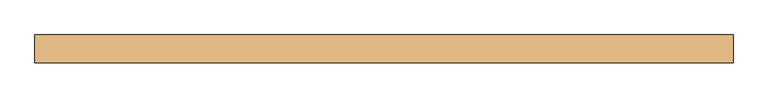
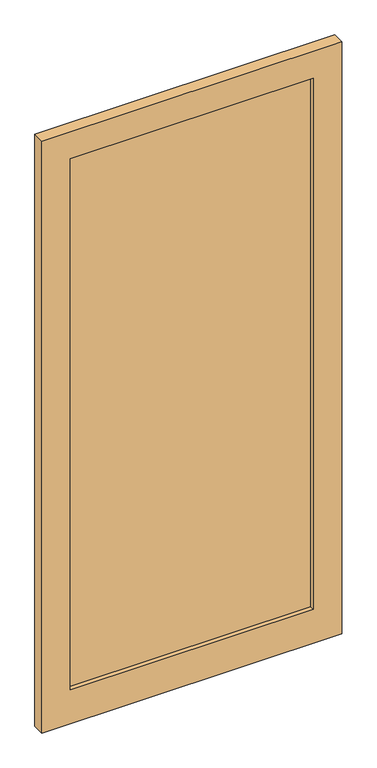
"""IFC4 building model written with IfcOpenShell, lengths in millimetres: door geometry."""

from ifc_helpers import new_model, si_unit, frame, origin, place, context, project, spatial, polyline, outline, extrude, source, transform, mapped, element, save


def door_100b977f(model_context):
    return source(origin(), model_context, "Body", "SweptSolid", [
        extrude(outline(polyline([(509.9611401, -5.0), (-509.9611401, -5.0), (-509.9611401, 5.0), (509.9611401, 5.0), (509.9611401, -5.0)])), frame((0.0, 0.0, 220.0), z_axis=(0.0, 0.0, 1.0), x_axis=(1.0, 0.0, 0.0)), (0.0, 0.0, 1.0), 2360.0),
        extrude(outline(polyline([(2700.0, 629.9611401), (2700.0, -629.9611401), (70.0, -629.9611401), (70.0, 629.9611401), (2700.0, 629.9611401)]), holes=[polyline([(2580.0, 509.9611401), (220.0, 509.9611401), (220.0, -509.9611401), (2580.0, -509.9611401), (2580.0, 509.9611401)])]), frame((0.0, -25.0, 0.0), z_axis=(0.0, 1.0, 0.0), x_axis=(0.0, 0.0, 1.0)), (0.0, 0.0, 1.0), 50.0),
    ])


if __name__ == "__main__":
    model = new_model("IFC4")
    model_context = context("Model", 3, world=origin())
    ifc_project = project(units=[si_unit("LENGTHUNIT", "METRE", prefix="MILLI")], contexts=[model_context])
    site = spatial("IfcSite", under=ifc_project)
    building = spatial("IfcBuilding", under=site)
    placement = place(None, origin())
    door_shape = door_100b977f(model_context)
    element("IfcDoor", 1, at=placement, inside=building, context=model_context, shape_type="MappedRepresentation", body=[
        mapped(door_shape, transform((0.0, 0.0, 0.0), x_axis=(1.0, 0.0, 0.0), y_axis=(0.0, 1.0, 0.0), z_axis=(0.0, 0.0, 1.0))),
    ])
    save(model, "model.ifc")
